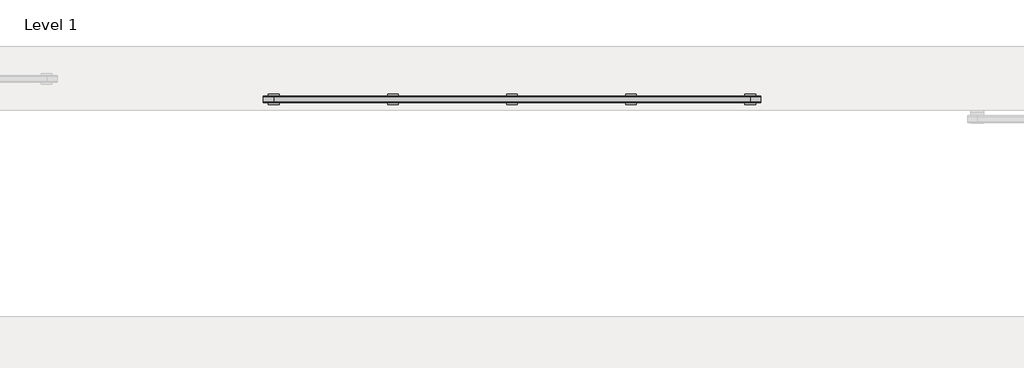
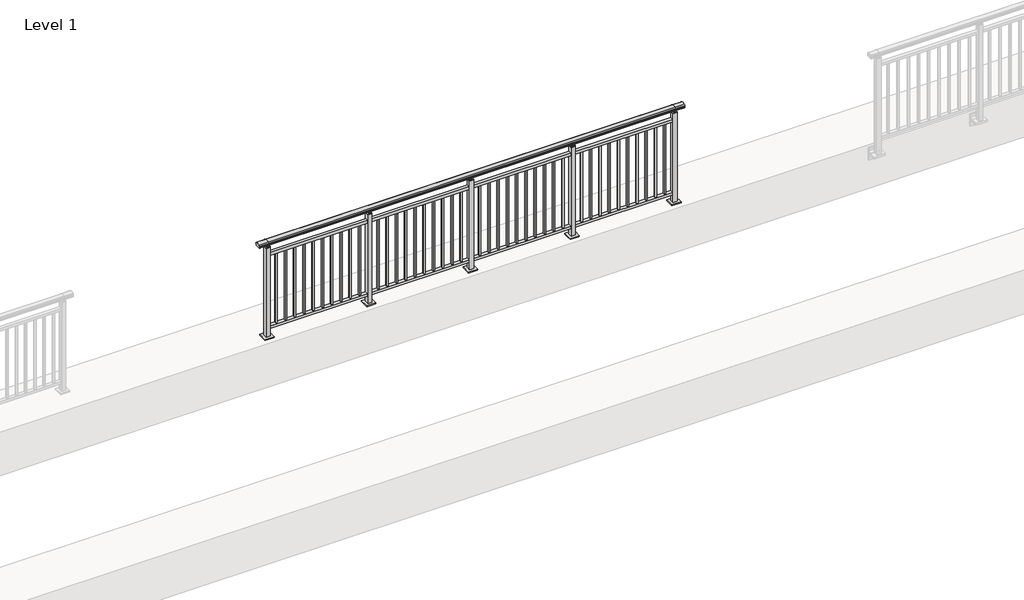
# One storey, part 12 of 64: 1 railing.
"""IFC4 building model written with IfcOpenShell, lengths in millimetres."""

import ifcopenshell
import ifcopenshell.guid

model = None  # the IFC model being written
_history = None  # IfcOwnerHistory: only IFC2X3 demands one
_inside = {}  # id of a spatial element -> (the spatial element, [elements in it])
_under = {}  # id of a project, library or spatial element -> (it, [spatial elements below it])
_declared = {}  # id of a project -> (the project, [libraries it declares])
_typed = {}  # id of a type object -> (the type object, [elements of that type])
_made_of = {}  # id of a material, layer set ... -> (it, [elements and type objects made of it])


def new_model(schema):
    """Start an empty IFC model of exactly this schema.

    Asked for "IFC4X3", IfcOpenShell would pick the latest addendum, in which some entities
    have other attributes; the version numbers below select the first issue.
    IFC2X3 requires an IfcOwnerHistory on every rooted entity: one is made here for all.
    """
    global model, _history
    if schema == "IFC4X3":
        model = ifcopenshell.file(schema_version=(4, 3, 0, 0))
    else:
        model = ifcopenshell.file(schema=schema)
    _inside.clear()
    _under.clear()
    _declared.clear()
    _typed.clear()
    _made_of.clear()
    _history = None
    if model.schema == "IFC2X3":
        org = make("IfcOrganization", Name="unknown")
        user = make(
            "IfcPersonAndOrganization",
            ThePerson=make("IfcPerson", FamilyName="unknown"),
            TheOrganization=org,
        )
        app = make(
            "IfcApplication",
            ApplicationDeveloper=org,
            Version="unknown",
            ApplicationFullName="unknown",
            ApplicationIdentifier="unknown",
        )
        _history = make(
            "IfcOwnerHistory",
            OwningUser=user,
            OwningApplication=app,
            ChangeAction="ADDED",
            CreationDate=0,
        )
    return model


def make(cls, **values):
    """One entity of the class cls with the attributes given. An attribute that is None is left unset."""
    return model.create_entity(
        cls, **{name: value for name, value in values.items() if value is not None}
    )


def rooted(cls, **values):
    """An entity with a GlobalId (a new one), such as an element, a storey or a relation."""
    return make(cls, GlobalId=ifcopenshell.guid.new(), OwnerHistory=_history, **values)


def si_unit(unit_type, name, prefix=None):
    """IfcSIUnit, for example si_unit("LENGTHUNIT", "METRE", prefix="MILLI")."""
    return make("IfcSIUnit", UnitType=unit_type, Prefix=prefix, Name=name)


def assignment(units):
    """IfcUnitAssignment: the units of a project."""
    return None if units is None else make("IfcUnitAssignment", Units=units)


def point(xyz):
    """IfcCartesianPoint."""
    return None if xyz is None else make("IfcCartesianPoint", Coordinates=xyz)


def direction(xyz):
    """IfcDirection."""
    return None if xyz is None else make("IfcDirection", DirectionRatios=xyz)


def frame(location, z_axis=None, x_axis=None):
    """IfcAxis2Placement3D, a coordinate frame: its origin and axes. An axis left out is left unset."""
    return make(
        "IfcAxis2Placement3D",
        Location=point(location),
        Axis=direction(z_axis),
        RefDirection=direction(x_axis),
    )


def origin():
    """The frame at (0, 0, 0) with its axes left unset."""
    return frame((0.0, 0.0, 0.0))


def origin_with_axes():
    """The frame at (0, 0, 0) with the z axis (0, 0, 1) and the x axis (1, 0, 0) written out."""
    return frame((0.0, 0.0, 0.0), z_axis=(0.0, 0.0, 1.0), x_axis=(1.0, 0.0, 0.0))


def place(relative_to, where):
    """IfcLocalPlacement: puts the frame where relative to a parent placement (None: the world)."""
    return make(
        "IfcLocalPlacement", PlacementRelTo=relative_to, RelativePlacement=where
    )


def context(
    kind, dimensions, precision=None, world=None, true_north=None, identifier=None
):
    """IfcGeometricRepresentationContext, for example the 3D "Model" context."""
    return make(
        "IfcGeometricRepresentationContext",
        ContextIdentifier=identifier,
        ContextType=kind,
        CoordinateSpaceDimension=dimensions,
        Precision=precision,
        WorldCoordinateSystem=world,
        TrueNorth=true_north,
    )


def project(units=None, contexts=None):
    """IfcProject with its units and contexts."""
    return rooted(
        "IfcProject",
        Name="project",
        RepresentationContexts=contexts,
        UnitsInContext=assignment(units),
    )


def spatial(cls, under=None, at=None, **own):
    """A site, building, storey or space (cls), placed at a placement, below another one or the project."""
    s = rooted(cls, ObjectPlacement=at, **own)
    if under is not None:
        _under.setdefault(under.id(), (under, []))[1].append(s)
    return s


def polyline(points):
    """IfcPolyline through the points."""
    return make("IfcPolyline", Points=[point(p) for p in points])


def circle_curve(where, radius):
    """IfcCircle in the frame where."""
    return make("IfcCircle", Position=where, Radius=radius)


def outline(outer, holes=None, kind="AREA"):
    """IfcArbitraryClosedProfileDef: a profile drawn as a closed curve; with holes, ...WithVoids."""
    if holes is None:
        return make("IfcArbitraryClosedProfileDef", ProfileType=kind, OuterCurve=outer)
    return make(
        "IfcArbitraryProfileDefWithVoids",
        ProfileType=kind,
        OuterCurve=outer,
        InnerCurves=holes,
    )


def extrude(swept, where, along, depth):
    """IfcExtrudedAreaSolid: the profile swept, set in the frame where, extruded along a direction by depth."""
    return make(
        "IfcExtrudedAreaSolid",
        SweptArea=swept,
        Position=where,
        ExtrudedDirection=direction(along),
        Depth=depth,
    )


def shape(context_of_items, identifier, shape_type, items):
    """IfcShapeRepresentation: the items that make up one representation, for example the "Body"."""
    return make(
        "IfcShapeRepresentation",
        ContextOfItems=context_of_items,
        RepresentationIdentifier=identifier,
        RepresentationType=shape_type,
        Items=items,
    )


def made_of(thing, what):
    """Note that an element or type object is made of a material, layer set ...; save() writes the relation."""
    if what is not None:
        _made_of.setdefault(what.id(), (what, []))[1].append(thing)
    return thing


def element(
    cls,
    number,
    at=None,
    inside=None,
    cuts=None,
    type_object=None,
    material=None,
    context=None,
    identifier="Body",
    shape_type=None,
    held_by="IfcProductDefinitionShape",
    body=None,
    shapes=None,
    **own,
):
    """One element of the class cls, such as IfcWall. Its Tag is "e" and its number.

    at: its placement. inside: the storey or other place that contains it. cuts: it is an
    opening in that element (IfcRelVoidsElement). A single representation is given by context,
    identifier, shape_type and body (its items); several are given by shapes. held_by: the class
    of the entity that holds the representations. save() writes the other relations.
    """
    e = rooted(cls, Tag="e%d" % number, ObjectPlacement=at, **own)
    if body is not None:
        shapes = [shape(context, identifier, shape_type, body)]
    if shapes is not None:
        e.Representation = make(held_by, Representations=shapes)
    if inside is not None:
        _inside.setdefault(inside.id(), (inside, []))[1].append(e)
    if cuts is not None:
        rooted(
            "IfcRelVoidsElement", RelatingBuildingElement=cuts, RelatedOpeningElement=e
        )
    if type_object is not None:
        _typed.setdefault(type_object.id(), (type_object, []))[1].append(e)
    return made_of(e, material)


def aggregate(whole, parts):
    """IfcRelAggregates: a whole, such as a stair, and the parts it consists of."""
    return rooted("IfcRelAggregates", RelatingObject=whole, RelatedObjects=parts)


def save(model, path):
    """Write the relations noted so far, then the file.

    IfcRelAggregates (storeys below a building ...), IfcRelContainedInSpatialStructure (elements
    in a storey), IfcRelDefinesByType, IfcRelAssociatesMaterial and IfcRelDeclares: one each for
    every whole, place, type object, material and project.
    """
    for whole, parts in _under.values():
        aggregate(whole, parts)
    for where, things in _inside.values():
        rooted(
            "IfcRelContainedInSpatialStructure",
            RelatedElements=things,
            RelatingStructure=where,
        )
    for kind, things in _typed.values():
        rooted("IfcRelDefinesByType", RelatedObjects=things, RelatingType=kind)
    for what, things in _made_of.values():
        rooted("IfcRelAssociatesMaterial", RelatedObjects=things, RelatingMaterial=what)
    for by, libraries in _declared.values():
        rooted("IfcRelDeclares", RelatingContext=by, RelatedDefinitions=libraries)
    model.write(path)


def plane_surface(at):
    """IfcPlane: the flat surface through the origin of the frame at, square to its z axis."""
    return make("IfcPlane", Position=at)


def cylinder_surface(at, radius):
    """IfcCylindricalSurface: all points at the distance radius from the z axis of the frame at."""
    return make("IfcCylindricalSurface", Position=at, Radius=radius)


def revolved_surface(curve, axis_point, axis_direction):
    """IfcSurfaceOfRevolution: the curve turned about the line through axis_point along axis_direction."""
    return make(
        "IfcSurfaceOfRevolution",
        SweptCurve=make("IfcArbitraryOpenProfileDef", ProfileType="CURVE", Curve=curve),
        AxisPosition=make("IfcAxis1Placement", Location=point(axis_point), Axis=direction(axis_direction)),
    )


def advanced_brep(points, edges, surfaces, faces):
    """IfcAdvancedBrep: a solid bounded by faces that lie on surfaces and meet in shared edges.

    An edge is (start, end): straight between two places in points (the first is 0);
    or (start, end, curve); or (start, end, curve, False) where it runs against its curve.
    A face is (place in surfaces, loops), or (place, loops, False) where it looks against
    its surface's normal. A loop lists edges by number (the first is 1), with a minus sign
    where the edge is run from its end to its start. The first loop is the outer one.
    """
    corners = [point(p) for p in points]
    vertices = [make("IfcVertexPoint", VertexGeometry=c) for c in corners]
    made = []
    for start, end, *more in edges:
        made.append(
            make(
                "IfcEdgeCurve",
                EdgeStart=vertices[start],
                EdgeEnd=vertices[end],
                EdgeGeometry=more[0] if more else make("IfcPolyline", Points=[corners[start], corners[end]]),
                SameSense=more[1] if len(more) > 1 else True,
            )
        )
    hull = []
    for where, loops, *sense in faces:
        bounds = []
        for j, loop in enumerate(loops):
            ring = [make("IfcOrientedEdge", EdgeElement=made[abs(k) - 1], Orientation=k > 0) for k in loop]
            bounds.append(
                make(
                    "IfcFaceOuterBound" if j == 0 else "IfcFaceBound",
                    Bound=make("IfcEdgeLoop", EdgeList=ring),
                    Orientation=True,
                )
            )
        hull.append(make("IfcAdvancedFace", Bounds=bounds, FaceSurface=surfaces[where], SameSense=sense[0] if sense else True))
    return make("IfcAdvancedBrep", Outer=make("IfcClosedShell", CfsFaces=hull))


model = new_model("IFC4")

# Units and contexts
model_context = context("Model", 3, world=origin())
ifc_project = project(units=[si_unit("LENGTHUNIT", "METRE", prefix="MILLI")], contexts=[model_context])

# Site, building, storey
site = spatial("IfcSite", under=ifc_project)
building = spatial("IfcBuilding", under=site)
storey = spatial("IfcBuildingStorey", under=building, Name="Level 1", Elevation=0.0)

# Railing
placement = place(None, origin())
element("IfcRailing", 1, at=placement, inside=storey, context=model_context, shape_type="SolidModel", body=[
    advanced_brep(
    [(6400.0, 5025.3633756, 1095.6691182), (6400.0, 5030.1846828, 1081.1334092), (6400.0, 5029.2413744, 1069.2539035), (6400.0, 5031.1364177, 1061.4863007), (6400.0, 5029.4894799, 1060.384124), (6400.0, 5029.4894799, 1062.0), (6400.0, 4970.8798858, 1062.0), (6400.0, 4970.8798858, 1060.384124), (6400.0, 4969.232948, 1061.4863007), (6400.0, 4971.1279912, 1069.2539035), (6400.0, 4970.1846828, 1081.1334092), (6400.0, 4975.00599, 1095.6691182), (11000.0, 5025.3633756, 1095.6691182), (11000.0, 4975.00599, 1095.6691182), (11000.0, 4970.1846828, 1081.1334092), (11000.0, 4971.1279912, 1069.2539035), (11000.0, 4969.232948, 1061.4863007), (11000.0, 4970.8798858, 1060.384124), (11000.0, 4970.8798858, 1062.0), (11000.0, 5029.4894799, 1062.0), (11000.0, 5029.4894799, 1060.384124), (11000.0, 5031.1364177, 1061.4863007), (11000.0, 5029.2413744, 1069.2539035), (11000.0, 5030.1846828, 1081.1334092), (6500.0, 5025.3633756, 1095.6691182), (6500.0, 5030.1846828, 1081.1334092), (6500.0, 5029.2413744, 1069.2539035), (6500.0, 5031.1364177, 1061.4863007), (6500.0, 5029.4894799, 1060.384124), (6500.0, 5029.4894799, 1062.0), (6500.0, 4970.8798858, 1062.0), (6500.0, 4970.8798858, 1060.384124), (6500.0, 4969.232948, 1061.4863007), (6500.0, 4971.1279912, 1069.2539035), (6500.0, 4970.1846828, 1081.1334092), (6500.0, 4975.00599, 1095.6691182), (10900.0, 5025.3633756, 1095.6691182), (10900.0, 5030.1846828, 1081.1334092), (10900.0, 5029.2413744, 1069.2539035), (10900.0, 5031.1364177, 1061.4863007), (10900.0, 5029.4894799, 1060.384124), (10900.0, 5029.4894799, 1062.0), (10900.0, 4970.8798858, 1062.0), (10900.0, 4970.8798858, 1060.384124), (10900.0, 4969.232948, 1061.4863007), (10900.0, 4971.1279912, 1069.2539035), (10900.0, 4970.1846828, 1081.1334092), (10900.0, 4975.00599, 1095.6691182)],
    [
        (0, 1, circle_curve(frame((6400.0, 5022.1223845, 1086.526686), z_axis=(-1.0, 0.0, 0.0), x_axis=(0.0, -1.0, 0.0)), 9.6999015)),
        (1, 2, circle_curve(frame((6400.0, 5047.7252545, 1073.7633709), z_axis=(1.0, 0.0, 0.0), x_axis=(0.0, -1.0, 0.0)), 19.0260117)),
        (2, 3),
        (3, 4, circle_curve(frame((6400.0, 5030.2772073, 1060.9886194), z_axis=(-1.0, 0.0, 0.0), x_axis=(0.0, -1.0, 0.0)), 0.9929396)),
        (4, 5),
        (5, 6),
        (6, 7),
        (7, 8, circle_curve(frame((6400.0, 4970.0921584, 1060.9886194), z_axis=(-1.0, 0.0, 0.0), x_axis=(0.0, 1.0, 0.0)), 0.9929396)),
        (8, 9),
        (9, 10, circle_curve(frame((6400.0, 4952.6441111, 1073.7633709), z_axis=(1.0, 0.0, 0.0), x_axis=(0.0, 1.0, 0.0)), 19.0260117)),
        (10, 11, circle_curve(frame((6400.0, 4978.2469812, 1086.526686), z_axis=(-1.0, 0.0, 0.0), x_axis=(0.0, 1.0, 0.0)), 9.6999015)),
        (11, 0, circle_curve(frame((6400.0, 5000.1846828, 1024.6431628), z_axis=(-1.0, 0.0, 0.0), x_axis=(0.0, 1.0, 0.0)), 75.3568372)),
        (12, 13, circle_curve(frame((11000.0, 5000.1846828, 1024.6431628), z_axis=(1.0, 0.0, 0.0), x_axis=(0.0, 1.0, 0.0)), 75.3568372)),
        (13, 14, circle_curve(frame((11000.0, 4978.2469812, 1086.526686), z_axis=(1.0, 0.0, 0.0), x_axis=(0.0, 1.0, 0.0)), 9.6999015)),
        (14, 15, circle_curve(frame((11000.0, 4952.6441111, 1073.7633709), z_axis=(-1.0, 0.0, 0.0), x_axis=(0.0, 1.0, 0.0)), 19.0260117)),
        (15, 16),
        (16, 17, circle_curve(frame((11000.0, 4970.0921584, 1060.9886194), z_axis=(1.0, 0.0, 0.0), x_axis=(0.0, 1.0, 0.0)), 0.9929396)),
        (17, 18),
        (18, 19),
        (19, 20),
        (20, 21, circle_curve(frame((11000.0, 5030.2772073, 1060.9886194), z_axis=(1.0, 0.0, 0.0), x_axis=(0.0, -1.0, 0.0)), 0.9929396)),
        (21, 22),
        (22, 23, circle_curve(frame((11000.0, 5047.7252545, 1073.7633709), z_axis=(-1.0, 0.0, 0.0), x_axis=(0.0, -1.0, 0.0)), 19.0260117)),
        (23, 12, circle_curve(frame((11000.0, 5022.1223845, 1086.526686), z_axis=(1.0, 0.0, 0.0), x_axis=(0.0, -1.0, 0.0)), 9.6999015)),
        (0, 24),
        (24, 25, circle_curve(frame((6500.0, 5022.1223845, 1086.526686), z_axis=(-1.0, 0.0, 0.0), x_axis=(0.0, -1.0, 0.0)), 9.6999015)),
        (25, 1),
        (25, 26, circle_curve(frame((6500.0, 5047.7252545, 1073.7633709), z_axis=(1.0, 0.0, 0.0), x_axis=(0.0, -1.0, 0.0)), 19.0260117)),
        (26, 2),
        (26, 27),
        (27, 3),
        (27, 28, circle_curve(frame((6500.0, 5030.2772073, 1060.9886194), z_axis=(-1.0, 0.0, 0.0), x_axis=(0.0, -1.0, 0.0)), 0.9929396)),
        (28, 4),
        (28, 29),
        (29, 5),
        (29, 30),
        (30, 6),
        (30, 31),
        (31, 7),
        (31, 32, circle_curve(frame((6500.0, 4970.0921584, 1060.9886194), z_axis=(-1.0, 0.0, 0.0), x_axis=(0.0, 1.0, 0.0)), 0.9929396)),
        (32, 8),
        (32, 33),
        (33, 9),
        (33, 34, circle_curve(frame((6500.0, 4952.6441111, 1073.7633709), z_axis=(1.0, 0.0, 0.0), x_axis=(0.0, 1.0, 0.0)), 19.0260117)),
        (34, 10),
        (34, 35, circle_curve(frame((6500.0, 4978.2469812, 1086.526686), z_axis=(-1.0, 0.0, 0.0), x_axis=(0.0, 1.0, 0.0)), 9.6999015)),
        (35, 11),
        (35, 24, circle_curve(frame((6500.0, 5000.1846828, 1024.6431628), z_axis=(-1.0, 0.0, 0.0), x_axis=(0.0, 1.0, 0.0)), 75.3568372)),
        (24, 36),
        (36, 37, circle_curve(frame((10900.0, 5022.1223845, 1086.526686), z_axis=(-1.0, 0.0, 0.0), x_axis=(0.0, -1.0, 0.0)), 9.6999015)),
        (37, 25),
        (37, 38, circle_curve(frame((10900.0, 5047.7252545, 1073.7633709), z_axis=(1.0, 0.0, 0.0), x_axis=(0.0, -1.0, 0.0)), 19.0260117)),
        (38, 26),
        (38, 39),
        (39, 27),
        (39, 40, circle_curve(frame((10900.0, 5030.2772073, 1060.9886194), z_axis=(-1.0, 0.0, 0.0), x_axis=(0.0, -1.0, 0.0)), 0.9929396)),
        (40, 28),
        (40, 41),
        (41, 29),
        (41, 42),
        (42, 30),
        (42, 43),
        (43, 31),
        (43, 44, circle_curve(frame((10900.0, 4970.0921584, 1060.9886194), z_axis=(-1.0, 0.0, 0.0), x_axis=(0.0, 1.0, 0.0)), 0.9929396)),
        (44, 32),
        (44, 45),
        (45, 33),
        (45, 46, circle_curve(frame((10900.0, 4952.6441111, 1073.7633709), z_axis=(1.0, 0.0, 0.0), x_axis=(0.0, 1.0, 0.0)), 19.0260117)),
        (46, 34),
        (46, 47, circle_curve(frame((10900.0, 4978.2469812, 1086.526686), z_axis=(-1.0, 0.0, 0.0), x_axis=(0.0, 1.0, 0.0)), 9.6999015)),
        (47, 35),
        (47, 36, circle_curve(frame((10900.0, 5000.1846828, 1024.6431628), z_axis=(-1.0, 0.0, 0.0), x_axis=(0.0, 1.0, 0.0)), 75.3568372)),
        (36, 12),
        (23, 37),
        (22, 38),
        (21, 39),
        (20, 40),
        (19, 41),
        (18, 42),
        (17, 43),
        (16, 44),
        (15, 45),
        (14, 46),
        (13, 47),
    ],
    [
        plane_surface(frame((6400.0, 5000.1846828, 1100.0), z_axis=(-1.0, 0.0, 0.0), x_axis=(0.0, 1.0, 0.0))),
        plane_surface(frame((11000.0, 5000.1846828, 1100.0), z_axis=(1.0, 0.0, 0.0), x_axis=(0.0, 1.0, 0.0))),
        cylinder_surface(frame((6400.0, 5022.1223845, 1086.526686), z_axis=(-1.0, 0.0, 0.0), x_axis=(0.0, -1.0, 0.0)), 9.6999015),
        revolved_surface(polyline([(6500.0, 5028.6992428, 1073.7633709), (6400.0, 5028.6992428, 1073.7633709)]), (6400.0, 5047.7252545, 1073.7633709), (1.0, 0.0, 0.0)),
        plane_surface(frame((6400.0, 5029.2413744, 1069.2539035), z_axis=(0.0, 0.9715057689301543, 0.2370159086125439), x_axis=(1.0, 0.0, 0.0))),
        cylinder_surface(frame((6400.0, 5030.2772073, 1060.9886194), z_axis=(-1.0, 0.0, 0.0), x_axis=(0.0, -1.0, 0.0)), 0.9929396),
        plane_surface(frame((6400.0, 5029.4894799, 1060.384124), z_axis=(0.0, -1.0, 0.0), x_axis=(1.0, 0.0, 0.0))),
        plane_surface(frame((6400.0, 5029.4894799, 1062.0), z_axis=(0.0, 0.0, -1.0), x_axis=(1.0, 0.0, 0.0))),
        plane_surface(frame((6400.0, 4970.8798858, 1062.0), z_axis=(0.0, 1.0, 0.0), x_axis=(1.0, 0.0, 0.0))),
        cylinder_surface(frame((6400.0, 4970.0921584, 1060.9886194), z_axis=(-1.0, 0.0, 0.0), x_axis=(0.0, 1.0, 0.0)), 0.9929396),
        plane_surface(frame((6400.0, 4969.232948, 1061.4863007), z_axis=(0.0, -0.9715057689301543, 0.2370159086125439), x_axis=(1.0, 0.0, 0.0))),
        revolved_surface(polyline([(6500.0, 4971.6701228, 1073.7633709), (6400.0, 4971.6701228, 1073.7633709)]), (6400.0, 4952.6441111, 1073.7633709), (1.0, 0.0, 0.0)),
        cylinder_surface(frame((6400.0, 4978.2469812, 1086.526686), z_axis=(-1.0, 0.0, 0.0), x_axis=(0.0, 1.0, 0.0)), 9.6999015),
        cylinder_surface(frame((6400.0, 5000.1846828, 1024.6431628), z_axis=(-1.0, 0.0, 0.0), x_axis=(0.0, 1.0, 0.0)), 75.3568372),
        cylinder_surface(frame((6500.0, 5022.1223845, 1086.526686), z_axis=(-1.0, 0.0, 0.0), x_axis=(0.0, -1.0, 0.0)), 9.6999015),
        revolved_surface(polyline([(10900.0, 5028.6992428, 1073.7633709), (6500.0, 5028.6992428, 1073.7633709)]), (6500.0, 5047.7252545, 1073.7633709), (1.0, 0.0, 0.0)),
        plane_surface(frame((6500.0, 5029.2413744, 1069.2539035), z_axis=(0.0, 0.9715057689301543, 0.2370159086125439), x_axis=(1.0, 0.0, 0.0))),
        cylinder_surface(frame((6500.0, 5030.2772073, 1060.9886194), z_axis=(-1.0, 0.0, 0.0), x_axis=(0.0, -1.0, 0.0)), 0.9929396),
        plane_surface(frame((6500.0, 5029.4894799, 1060.384124), z_axis=(0.0, -1.0, 0.0), x_axis=(1.0, 0.0, 0.0))),
        plane_surface(frame((6500.0, 5029.4894799, 1062.0), z_axis=(0.0, 0.0, -1.0), x_axis=(1.0, 0.0, 0.0))),
        plane_surface(frame((6500.0, 4970.8798858, 1062.0), z_axis=(0.0, 1.0, 0.0), x_axis=(1.0, 0.0, 0.0))),
        cylinder_surface(frame((6500.0, 4970.0921584, 1060.9886194), z_axis=(-1.0, 0.0, 0.0), x_axis=(0.0, 1.0, 0.0)), 0.9929396),
        plane_surface(frame((6500.0, 4969.232948, 1061.4863007), z_axis=(0.0, -0.9715057689301543, 0.2370159086125439), x_axis=(1.0, 0.0, 0.0))),
        revolved_surface(polyline([(10900.0, 4971.6701228, 1073.7633709), (6500.0, 4971.6701228, 1073.7633709)]), (6500.0, 4952.6441111, 1073.7633709), (1.0, 0.0, 0.0)),
        cylinder_surface(frame((6500.0, 4978.2469812, 1086.526686), z_axis=(-1.0, 0.0, 0.0), x_axis=(0.0, 1.0, 0.0)), 9.6999015),
        cylinder_surface(frame((6500.0, 5000.1846828, 1024.6431628), z_axis=(-1.0, 0.0, 0.0), x_axis=(0.0, 1.0, 0.0)), 75.3568372),
        cylinder_surface(frame((10900.0, 5022.1223845, 1086.526686), z_axis=(-1.0, 0.0, 0.0), x_axis=(0.0, -1.0, 0.0)), 9.6999015),
        revolved_surface(polyline([(11000.0, 5028.6992428, 1073.7633709), (10900.0, 5028.6992428, 1073.7633709)]), (10900.0, 5047.7252545, 1073.7633709), (1.0, 0.0, 0.0)),
        plane_surface(frame((10900.0, 5029.2413744, 1069.2539035), z_axis=(0.0, 0.9715057689301543, 0.2370159086125439), x_axis=(1.0, 0.0, 0.0))),
        cylinder_surface(frame((10900.0, 5030.2772073, 1060.9886194), z_axis=(-1.0, 0.0, 0.0), x_axis=(0.0, -1.0, 0.0)), 0.9929396),
        plane_surface(frame((10900.0, 5029.4894799, 1060.384124), z_axis=(0.0, -1.0, 0.0), x_axis=(1.0, 0.0, 0.0))),
        plane_surface(frame((10900.0, 5029.4894799, 1062.0), z_axis=(0.0, 0.0, -1.0), x_axis=(1.0, 0.0, 0.0))),
        plane_surface(frame((10900.0, 4970.8798858, 1062.0), z_axis=(0.0, 1.0, 0.0), x_axis=(1.0, 0.0, 0.0))),
        cylinder_surface(frame((10900.0, 4970.0921584, 1060.9886194), z_axis=(-1.0, 0.0, 0.0), x_axis=(0.0, 1.0, 0.0)), 0.9929396),
        plane_surface(frame((10900.0, 4969.232948, 1061.4863007), z_axis=(0.0, -0.9715057689301543, 0.2370159086125439), x_axis=(1.0, 0.0, 0.0))),
        revolved_surface(polyline([(11000.0, 4971.6701228, 1073.7633709), (10900.0, 4971.6701228, 1073.7633709)]), (10900.0, 4952.6441111, 1073.7633709), (1.0, 0.0, 0.0)),
        cylinder_surface(frame((10900.0, 4978.2469812, 1086.526686), z_axis=(-1.0, 0.0, 0.0), x_axis=(0.0, 1.0, 0.0)), 9.6999015),
        cylinder_surface(frame((10900.0, 5000.1846828, 1024.6431628), z_axis=(-1.0, 0.0, 0.0), x_axis=(0.0, 1.0, 0.0)), 75.3568372),
    ],
    [
        (0, [[1, 2, 3, 4, 5, 6, 7, 8, 9, 10, 11, 12]]),
        (1, [[13, 14, 15, 16, 17, 18, 19, 20, 21, 22, 23, 24]]),
        (2, [[-1, 25, 26, 27]]),
        (3, [[-2, -27, 28, 29]]),
        (4, [[-3, -29, 30, 31]]),
        (5, [[-4, -31, 32, 33]]),
        (6, [[-5, -33, 34, 35]]),
        (7, [[-6, -35, 36, 37]]),
        (8, [[-7, -37, 38, 39]]),
        (9, [[-8, -39, 40, 41]]),
        (10, [[-9, -41, 42, 43]]),
        (11, [[-10, -43, 44, 45]]),
        (12, [[-11, -45, 46, 47]]),
        (13, [[-12, -47, 48, -25]]),
        (14, [[-26, 49, 50, 51]]),
        (15, [[-28, -51, 52, 53]]),
        (16, [[-30, -53, 54, 55]]),
        (17, [[-32, -55, 56, 57]]),
        (18, [[-34, -57, 58, 59]]),
        (19, [[-36, -59, 60, 61]]),
        (20, [[-38, -61, 62, 63]]),
        (21, [[-40, -63, 64, 65]]),
        (22, [[-42, -65, 66, 67]]),
        (23, [[-44, -67, 68, 69]]),
        (24, [[-46, -69, 70, 71]]),
        (25, [[-48, -71, 72, -49]]),
        (26, [[-50, 73, -24, 74]]),
        (27, [[-52, -74, -23, 75]]),
        (28, [[-54, -75, -22, 76]]),
        (29, [[-56, -76, -21, 77]]),
        (30, [[-58, -77, -20, 78]]),
        (31, [[-60, -78, -19, 79]]),
        (32, [[-62, -79, -18, 80]]),
        (33, [[-64, -80, -17, 81]]),
        (34, [[-66, -81, -16, 82]]),
        (35, [[-68, -82, -15, 83]]),
        (36, [[-70, -83, -14, 84]]),
        (37, [[-72, -84, -13, -73]]),
    ],
),
    extrude(outline(polyline([(6500.0, 4982.6846828), (6500.0, 5017.6846828), (10900.0, 5017.6846828), (10900.0, 4982.6846828), (6500.0, 4982.6846828)])), frame((0.0, 0.0, 930.0), z_axis=(0.0, 0.0, 1.0), x_axis=(1.0, 0.0, 0.0)), (0.0, 0.0, 1.0), 30.0),
    extrude(outline(polyline([(6500.0, 4982.6846828), (6500.0, 5017.6846828), (10900.0, 5017.6846828), (10900.0, 4982.6846828), (6500.0, 4982.6846828)])), frame((0.0, 0.0, 95.0), z_axis=(0.0, 0.0, 1.0), x_axis=(1.0, 0.0, 0.0)), (0.0, 0.0, 1.0), 30.0),
    extrude(outline(polyline([(10808.5, 5008.6846828), (10808.5, 4991.6846828), (10791.5, 4991.6846828), (10791.5, 5008.6846828), (10808.5, 5008.6846828)])), frame((0.0, 0.0, 125.0), z_axis=(0.0, 0.0, 1.0), x_axis=(1.0, 0.0, 0.0)), (0.0, 0.0, 1.0), 805.0),
    extrude(outline(polyline([(10708.5, 5008.6846828), (10708.5, 4991.6846828), (10691.5, 4991.6846828), (10691.5, 5008.6846828), (10708.5, 5008.6846828)])), frame((0.0, 0.0, 125.0), z_axis=(0.0, 0.0, 1.0), x_axis=(1.0, 0.0, 0.0)), (0.0, 0.0, 1.0), 805.0),
    extrude(outline(polyline([(10608.5, 5008.6846828), (10608.5, 4991.6846828), (10591.5, 4991.6846828), (10591.5, 5008.6846828), (10608.5, 5008.6846828)])), frame((0.0, 0.0, 125.0), z_axis=(0.0, 0.0, 1.0), x_axis=(1.0, 0.0, 0.0)), (0.0, 0.0, 1.0), 805.0),
    extrude(outline(polyline([(10508.5, 5008.6846828), (10508.5, 4991.6846828), (10491.5, 4991.6846828), (10491.5, 5008.6846828), (10508.5, 5008.6846828)])), frame((0.0, 0.0, 125.0), z_axis=(0.0, 0.0, 1.0), x_axis=(1.0, 0.0, 0.0)), (0.0, 0.0, 1.0), 805.0),
    extrude(outline(polyline([(10408.5, 5008.6846828), (10408.5, 4991.6846828), (10391.5, 4991.6846828), (10391.5, 5008.6846828), (10408.5, 5008.6846828)])), frame((0.0, 0.0, 125.0), z_axis=(0.0, 0.0, 1.0), x_axis=(1.0, 0.0, 0.0)), (0.0, 0.0, 1.0), 805.0),
    extrude(outline(polyline([(10308.5, 5008.6846828), (10308.5, 4991.6846828), (10291.5, 4991.6846828), (10291.5, 5008.6846828), (10308.5, 5008.6846828)])), frame((0.0, 0.0, 125.0), z_axis=(0.0, 0.0, 1.0), x_axis=(1.0, 0.0, 0.0)), (0.0, 0.0, 1.0), 805.0),
    extrude(outline(polyline([(10208.5, 5008.6846828), (10208.5, 4991.6846828), (10191.5, 4991.6846828), (10191.5, 5008.6846828), (10208.5, 5008.6846828)])), frame((0.0, 0.0, 125.0), z_axis=(0.0, 0.0, 1.0), x_axis=(1.0, 0.0, 0.0)), (0.0, 0.0, 1.0), 805.0),
    extrude(outline(polyline([(10108.5, 5008.6846828), (10108.5, 4991.6846828), (10091.5, 4991.6846828), (10091.5, 5008.6846828), (10108.5, 5008.6846828)])), frame((0.0, 0.0, 125.0), z_axis=(0.0, 0.0, 1.0), x_axis=(1.0, 0.0, 0.0)), (0.0, 0.0, 1.0), 805.0),
    extrude(outline(polyline([(10008.5, 5008.6846828), (10008.5, 4991.6846828), (9991.5, 4991.6846828), (9991.5, 5008.6846828), (10008.5, 5008.6846828)])), frame((0.0, 0.0, 125.0), z_axis=(0.0, 0.0, 1.0), x_axis=(1.0, 0.0, 0.0)), (0.0, 0.0, 1.0), 805.0),
    extrude(outline(polyline([(9908.5, 5008.6846828), (9908.5, 4991.6846828), (9891.5, 4991.6846828), (9891.5, 5008.6846828), (9908.5, 5008.6846828)])), frame((0.0, 0.0, 125.0), z_axis=(0.0, 0.0, 1.0), x_axis=(1.0, 0.0, 0.0)), (0.0, 0.0, 1.0), 805.0),
    extrude(outline(polyline([(9810.0, 4990.1846828), (9790.0, 4990.1846828), (9790.0, 5010.1846828), (9810.0, 5010.1846828), (9810.0, 4990.1846828)])), frame((0.0, 0.0, 1035.0), z_axis=(0.0, 0.0, 1.0), x_axis=(1.0, 0.0, 0.0)), (0.0, 0.0, 1.0), 20.0),
    extrude(outline(polyline([(9822.5, 4977.6846828), (9777.5, 4977.6846828), (9777.5, 5022.6846828), (9822.5, 5022.6846828), (9822.5, 4977.6846828)])), frame((0.0, 0.0, 1027.0), z_axis=(0.0, 0.0, 1.0), x_axis=(1.0, 0.0, 0.0)), (0.0, 0.0, 1.0), 8.0),
    extrude(outline(polyline([(9850.0, 4950.1846828), (9750.0, 4950.1846828), (9750.0, 5050.1846828), (9850.0, 5050.1846828), (9850.0, 4950.1846828)])), origin_with_axes(), (0.0, 0.0, 1.0), 12.0),
    extrude(outline(polyline([(9822.5, 4977.6846828), (9777.5, 4977.6846828), (9777.5, 5022.6846828), (9822.5, 5022.6846828), (9822.5, 4977.6846828)])), frame((0.0, 0.0, 12.0), z_axis=(0.0, 0.0, 1.0), x_axis=(1.0, 0.0, 0.0)), (0.0, 0.0, 1.0), 1015.0),
    extrude(outline(polyline([(9708.5, 5008.6846828), (9708.5, 4991.6846828), (9691.5, 4991.6846828), (9691.5, 5008.6846828), (9708.5, 5008.6846828)])), frame((0.0, 0.0, 125.0), z_axis=(0.0, 0.0, 1.0), x_axis=(1.0, 0.0, 0.0)), (0.0, 0.0, 1.0), 805.0),
    extrude(outline(polyline([(9608.5, 5008.6846828), (9608.5, 4991.6846828), (9591.5, 4991.6846828), (9591.5, 5008.6846828), (9608.5, 5008.6846828)])), frame((0.0, 0.0, 125.0), z_axis=(0.0, 0.0, 1.0), x_axis=(1.0, 0.0, 0.0)), (0.0, 0.0, 1.0), 805.0),
    extrude(outline(polyline([(9508.5, 5008.6846828), (9508.5, 4991.6846828), (9491.5, 4991.6846828), (9491.5, 5008.6846828), (9508.5, 5008.6846828)])), frame((0.0, 0.0, 125.0), z_axis=(0.0, 0.0, 1.0), x_axis=(1.0, 0.0, 0.0)), (0.0, 0.0, 1.0), 805.0),
    extrude(outline(polyline([(9408.5, 5008.6846828), (9408.5, 4991.6846828), (9391.5, 4991.6846828), (9391.5, 5008.6846828), (9408.5, 5008.6846828)])), frame((0.0, 0.0, 125.0), z_axis=(0.0, 0.0, 1.0), x_axis=(1.0, 0.0, 0.0)), (0.0, 0.0, 1.0), 805.0),
    extrude(outline(polyline([(9308.5, 5008.6846828), (9308.5, 4991.6846828), (9291.5, 4991.6846828), (9291.5, 5008.6846828), (9308.5, 5008.6846828)])), frame((0.0, 0.0, 125.0), z_axis=(0.0, 0.0, 1.0), x_axis=(1.0, 0.0, 0.0)), (0.0, 0.0, 1.0), 805.0),
    extrude(outline(polyline([(9208.5, 5008.6846828), (9208.5, 4991.6846828), (9191.5, 4991.6846828), (9191.5, 5008.6846828), (9208.5, 5008.6846828)])), frame((0.0, 0.0, 125.0), z_axis=(0.0, 0.0, 1.0), x_axis=(1.0, 0.0, 0.0)), (0.0, 0.0, 1.0), 805.0),
    extrude(outline(polyline([(9108.5, 5008.6846828), (9108.5, 4991.6846828), (9091.5, 4991.6846828), (9091.5, 5008.6846828), (9108.5, 5008.6846828)])), frame((0.0, 0.0, 125.0), z_axis=(0.0, 0.0, 1.0), x_axis=(1.0, 0.0, 0.0)), (0.0, 0.0, 1.0), 805.0),
    extrude(outline(polyline([(9008.5, 5008.6846828), (9008.5, 4991.6846828), (8991.5, 4991.6846828), (8991.5, 5008.6846828), (9008.5, 5008.6846828)])), frame((0.0, 0.0, 125.0), z_axis=(0.0, 0.0, 1.0), x_axis=(1.0, 0.0, 0.0)), (0.0, 0.0, 1.0), 805.0),
    extrude(outline(polyline([(8908.5, 5008.6846828), (8908.5, 4991.6846828), (8891.5, 4991.6846828), (8891.5, 5008.6846828), (8908.5, 5008.6846828)])), frame((0.0, 0.0, 125.0), z_axis=(0.0, 0.0, 1.0), x_axis=(1.0, 0.0, 0.0)), (0.0, 0.0, 1.0), 805.0),
    extrude(outline(polyline([(8808.5, 5008.6846828), (8808.5, 4991.6846828), (8791.5, 4991.6846828), (8791.5, 5008.6846828), (8808.5, 5008.6846828)])), frame((0.0, 0.0, 125.0), z_axis=(0.0, 0.0, 1.0), x_axis=(1.0, 0.0, 0.0)), (0.0, 0.0, 1.0), 805.0),
    extrude(outline(polyline([(8710.0, 4990.1846828), (8690.0, 4990.1846828), (8690.0, 5010.1846828), (8710.0, 5010.1846828), (8710.0, 4990.1846828)])), frame((0.0, 0.0, 1035.0), z_axis=(0.0, 0.0, 1.0), x_axis=(1.0, 0.0, 0.0)), (0.0, 0.0, 1.0), 20.0),
    extrude(outline(polyline([(8722.5, 4977.6846828), (8677.5, 4977.6846828), (8677.5, 5022.6846828), (8722.5, 5022.6846828), (8722.5, 4977.6846828)])), frame((0.0, 0.0, 1027.0), z_axis=(0.0, 0.0, 1.0), x_axis=(1.0, 0.0, 0.0)), (0.0, 0.0, 1.0), 8.0),
    extrude(outline(polyline([(8750.0, 4950.1846828), (8650.0, 4950.1846828), (8650.0, 5050.1846828), (8750.0, 5050.1846828), (8750.0, 4950.1846828)])), origin_with_axes(), (0.0, 0.0, 1.0), 12.0),
    extrude(outline(polyline([(8722.5, 4977.6846828), (8677.5, 4977.6846828), (8677.5, 5022.6846828), (8722.5, 5022.6846828), (8722.5, 4977.6846828)])), frame((0.0, 0.0, 12.0), z_axis=(0.0, 0.0, 1.0), x_axis=(1.0, 0.0, 0.0)), (0.0, 0.0, 1.0), 1015.0),
    extrude(outline(polyline([(8608.5, 5008.6846828), (8608.5, 4991.6846828), (8591.5, 4991.6846828), (8591.5, 5008.6846828), (8608.5, 5008.6846828)])), frame((0.0, 0.0, 125.0), z_axis=(0.0, 0.0, 1.0), x_axis=(1.0, 0.0, 0.0)), (0.0, 0.0, 1.0), 805.0),
    extrude(outline(polyline([(8508.5, 5008.6846828), (8508.5, 4991.6846828), (8491.5, 4991.6846828), (8491.5, 5008.6846828), (8508.5, 5008.6846828)])), frame((0.0, 0.0, 125.0), z_axis=(0.0, 0.0, 1.0), x_axis=(1.0, 0.0, 0.0)), (0.0, 0.0, 1.0), 805.0),
    extrude(outline(polyline([(8408.5, 5008.6846828), (8408.5, 4991.6846828), (8391.5, 4991.6846828), (8391.5, 5008.6846828), (8408.5, 5008.6846828)])), frame((0.0, 0.0, 125.0), z_axis=(0.0, 0.0, 1.0), x_axis=(1.0, 0.0, 0.0)), (0.0, 0.0, 1.0), 805.0),
    extrude(outline(polyline([(8308.5, 5008.6846828), (8308.5, 4991.6846828), (8291.5, 4991.6846828), (8291.5, 5008.6846828), (8308.5, 5008.6846828)])), frame((0.0, 0.0, 125.0), z_axis=(0.0, 0.0, 1.0), x_axis=(1.0, 0.0, 0.0)), (0.0, 0.0, 1.0), 805.0),
    extrude(outline(polyline([(8208.5, 5008.6846828), (8208.5, 4991.6846828), (8191.5, 4991.6846828), (8191.5, 5008.6846828), (8208.5, 5008.6846828)])), frame((0.0, 0.0, 125.0), z_axis=(0.0, 0.0, 1.0), x_axis=(1.0, 0.0, 0.0)), (0.0, 0.0, 1.0), 805.0),
    extrude(outline(polyline([(8108.5, 5008.6846828), (8108.5, 4991.6846828), (8091.5, 4991.6846828), (8091.5, 5008.6846828), (8108.5, 5008.6846828)])), frame((0.0, 0.0, 125.0), z_axis=(0.0, 0.0, 1.0), x_axis=(1.0, 0.0, 0.0)), (0.0, 0.0, 1.0), 805.0),
    extrude(outline(polyline([(8008.5, 5008.6846828), (8008.5, 4991.6846828), (7991.5, 4991.6846828), (7991.5, 5008.6846828), (8008.5, 5008.6846828)])), frame((0.0, 0.0, 125.0), z_axis=(0.0, 0.0, 1.0), x_axis=(1.0, 0.0, 0.0)), (0.0, 0.0, 1.0), 805.0),
    extrude(outline(polyline([(7908.5, 5008.6846828), (7908.5, 4991.6846828), (7891.5, 4991.6846828), (7891.5, 5008.6846828), (7908.5, 5008.6846828)])), frame((0.0, 0.0, 125.0), z_axis=(0.0, 0.0, 1.0), x_axis=(1.0, 0.0, 0.0)), (0.0, 0.0, 1.0), 805.0),
    extrude(outline(polyline([(7808.5, 5008.6846828), (7808.5, 4991.6846828), (7791.5, 4991.6846828), (7791.5, 5008.6846828), (7808.5, 5008.6846828)])), frame((0.0, 0.0, 125.0), z_axis=(0.0, 0.0, 1.0), x_axis=(1.0, 0.0, 0.0)), (0.0, 0.0, 1.0), 805.0),
    extrude(outline(polyline([(7708.5, 5008.6846828), (7708.5, 4991.6846828), (7691.5, 4991.6846828), (7691.5, 5008.6846828), (7708.5, 5008.6846828)])), frame((0.0, 0.0, 125.0), z_axis=(0.0, 0.0, 1.0), x_axis=(1.0, 0.0, 0.0)), (0.0, 0.0, 1.0), 805.0),
    extrude(outline(polyline([(7610.0, 4990.1846828), (7590.0, 4990.1846828), (7590.0, 5010.1846828), (7610.0, 5010.1846828), (7610.0, 4990.1846828)])), frame((0.0, 0.0, 1035.0), z_axis=(0.0, 0.0, 1.0), x_axis=(1.0, 0.0, 0.0)), (0.0, 0.0, 1.0), 20.0),
    extrude(outline(polyline([(7622.5, 4977.6846828), (7577.5, 4977.6846828), (7577.5, 5022.6846828), (7622.5, 5022.6846828), (7622.5, 4977.6846828)])), frame((0.0, 0.0, 1027.0), z_axis=(0.0, 0.0, 1.0), x_axis=(1.0, 0.0, 0.0)), (0.0, 0.0, 1.0), 8.0),
    extrude(outline(polyline([(7650.0, 4950.1846828), (7550.0, 4950.1846828), (7550.0, 5050.1846828), (7650.0, 5050.1846828), (7650.0, 4950.1846828)])), origin_with_axes(), (0.0, 0.0, 1.0), 12.0),
    extrude(outline(polyline([(7622.5, 4977.6846828), (7577.5, 4977.6846828), (7577.5, 5022.6846828), (7622.5, 5022.6846828), (7622.5, 4977.6846828)])), frame((0.0, 0.0, 12.0), z_axis=(0.0, 0.0, 1.0), x_axis=(1.0, 0.0, 0.0)), (0.0, 0.0, 1.0), 1015.0),
    extrude(outline(polyline([(7508.5, 5008.6846828), (7508.5, 4991.6846828), (7491.5, 4991.6846828), (7491.5, 5008.6846828), (7508.5, 5008.6846828)])), frame((0.0, 0.0, 125.0), z_axis=(0.0, 0.0, 1.0), x_axis=(1.0, 0.0, 0.0)), (0.0, 0.0, 1.0), 805.0),
    extrude(outline(polyline([(7408.5, 5008.6846828), (7408.5, 4991.6846828), (7391.5, 4991.6846828), (7391.5, 5008.6846828), (7408.5, 5008.6846828)])), frame((0.0, 0.0, 125.0), z_axis=(0.0, 0.0, 1.0), x_axis=(1.0, 0.0, 0.0)), (0.0, 0.0, 1.0), 805.0),
    extrude(outline(polyline([(7308.5, 5008.6846828), (7308.5, 4991.6846828), (7291.5, 4991.6846828), (7291.5, 5008.6846828), (7308.5, 5008.6846828)])), frame((0.0, 0.0, 125.0), z_axis=(0.0, 0.0, 1.0), x_axis=(1.0, 0.0, 0.0)), (0.0, 0.0, 1.0), 805.0),
    extrude(outline(polyline([(7208.5, 5008.6846828), (7208.5, 4991.6846828), (7191.5, 4991.6846828), (7191.5, 5008.6846828), (7208.5, 5008.6846828)])), frame((0.0, 0.0, 125.0), z_axis=(0.0, 0.0, 1.0), x_axis=(1.0, 0.0, 0.0)), (0.0, 0.0, 1.0), 805.0),
    extrude(outline(polyline([(7108.5, 5008.6846828), (7108.5, 4991.6846828), (7091.5, 4991.6846828), (7091.5, 5008.6846828), (7108.5, 5008.6846828)])), frame((0.0, 0.0, 125.0), z_axis=(0.0, 0.0, 1.0), x_axis=(1.0, 0.0, 0.0)), (0.0, 0.0, 1.0), 805.0),
    extrude(outline(polyline([(7008.5, 5008.6846828), (7008.5, 4991.6846828), (6991.5, 4991.6846828), (6991.5, 5008.6846828), (7008.5, 5008.6846828)])), frame((0.0, 0.0, 125.0), z_axis=(0.0, 0.0, 1.0), x_axis=(1.0, 0.0, 0.0)), (0.0, 0.0, 1.0), 805.0),
    extrude(outline(polyline([(6908.5, 5008.6846828), (6908.5, 4991.6846828), (6891.5, 4991.6846828), (6891.5, 5008.6846828), (6908.5, 5008.6846828)])), frame((0.0, 0.0, 125.0), z_axis=(0.0, 0.0, 1.0), x_axis=(1.0, 0.0, 0.0)), (0.0, 0.0, 1.0), 805.0),
    extrude(outline(polyline([(6808.5, 5008.6846828), (6808.5, 4991.6846828), (6791.5, 4991.6846828), (6791.5, 5008.6846828), (6808.5, 5008.6846828)])), frame((0.0, 0.0, 125.0), z_axis=(0.0, 0.0, 1.0), x_axis=(1.0, 0.0, 0.0)), (0.0, 0.0, 1.0), 805.0),
    extrude(outline(polyline([(6708.5, 5008.6846828), (6708.5, 4991.6846828), (6691.5, 4991.6846828), (6691.5, 5008.6846828), (6708.5, 5008.6846828)])), frame((0.0, 0.0, 125.0), z_axis=(0.0, 0.0, 1.0), x_axis=(1.0, 0.0, 0.0)), (0.0, 0.0, 1.0), 805.0),
    extrude(outline(polyline([(6608.5, 5008.6846828), (6608.5, 4991.6846828), (6591.5, 4991.6846828), (6591.5, 5008.6846828), (6608.5, 5008.6846828)])), frame((0.0, 0.0, 125.0), z_axis=(0.0, 0.0, 1.0), x_axis=(1.0, 0.0, 0.0)), (0.0, 0.0, 1.0), 805.0),
    extrude(outline(polyline([(10910.0, 4990.1846828), (10890.0, 4990.1846828), (10890.0, 5010.1846828), (10910.0, 5010.1846828), (10910.0, 4990.1846828)])), frame((0.0, 0.0, 1035.0), z_axis=(0.0, 0.0, 1.0), x_axis=(1.0, 0.0, 0.0)), (0.0, 0.0, 1.0), 20.0),
    extrude(outline(polyline([(10922.5, 4977.6846828), (10877.5, 4977.6846828), (10877.5, 5022.6846828), (10922.5, 5022.6846828), (10922.5, 4977.6846828)])), frame((0.0, 0.0, 1027.0), z_axis=(0.0, 0.0, 1.0), x_axis=(1.0, 0.0, 0.0)), (0.0, 0.0, 1.0), 8.0),
    extrude(outline(polyline([(10950.0, 4950.1846828), (10850.0, 4950.1846828), (10850.0, 5050.1846828), (10950.0, 5050.1846828), (10950.0, 4950.1846828)])), origin_with_axes(), (0.0, 0.0, 1.0), 12.0),
    extrude(outline(polyline([(10922.5, 4977.6846828), (10877.5, 4977.6846828), (10877.5, 5022.6846828), (10922.5, 5022.6846828), (10922.5, 4977.6846828)])), frame((0.0, 0.0, 12.0), z_axis=(0.0, 0.0, 1.0), x_axis=(1.0, 0.0, 0.0)), (0.0, 0.0, 1.0), 1015.0),
    extrude(outline(polyline([(6510.0, 4990.1846828), (6490.0, 4990.1846828), (6490.0, 5010.1846828), (6510.0, 5010.1846828), (6510.0, 4990.1846828)])), frame((0.0, 0.0, 1035.0), z_axis=(0.0, 0.0, 1.0), x_axis=(1.0, 0.0, 0.0)), (0.0, 0.0, 1.0), 20.0),
    extrude(outline(polyline([(6522.5, 4977.6846828), (6477.5, 4977.6846828), (6477.5, 5022.6846828), (6522.5, 5022.6846828), (6522.5, 4977.6846828)])), frame((0.0, 0.0, 1027.0), z_axis=(0.0, 0.0, 1.0), x_axis=(1.0, 0.0, 0.0)), (0.0, 0.0, 1.0), 8.0),
    extrude(outline(polyline([(6550.0, 4950.1846828), (6450.0, 4950.1846828), (6450.0, 5050.1846828), (6550.0, 5050.1846828), (6550.0, 4950.1846828)])), origin_with_axes(), (0.0, 0.0, 1.0), 12.0),
    extrude(outline(polyline([(6522.5, 4977.6846828), (6477.5, 4977.6846828), (6477.5, 5022.6846828), (6522.5, 5022.6846828), (6522.5, 4977.6846828)])), frame((0.0, 0.0, 12.0), z_axis=(0.0, 0.0, 1.0), x_axis=(1.0, 0.0, 0.0)), (0.0, 0.0, 1.0), 1015.0),
])

save(model, "model.ifc")
